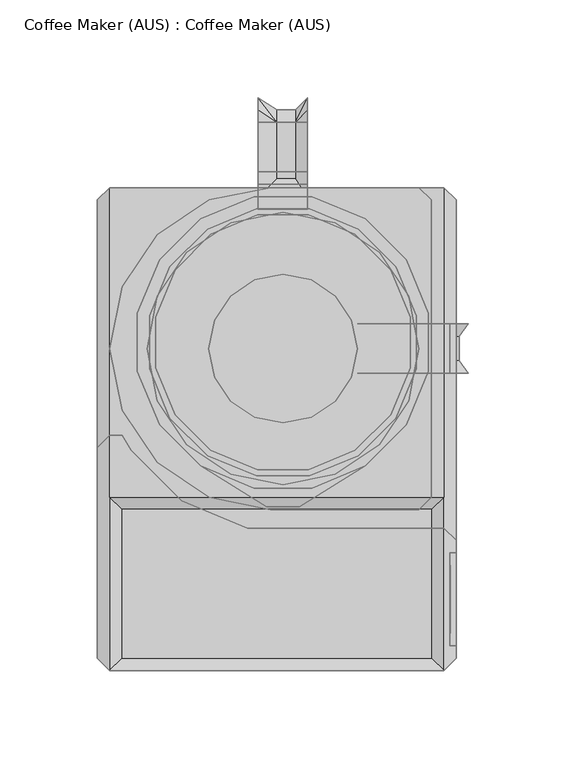
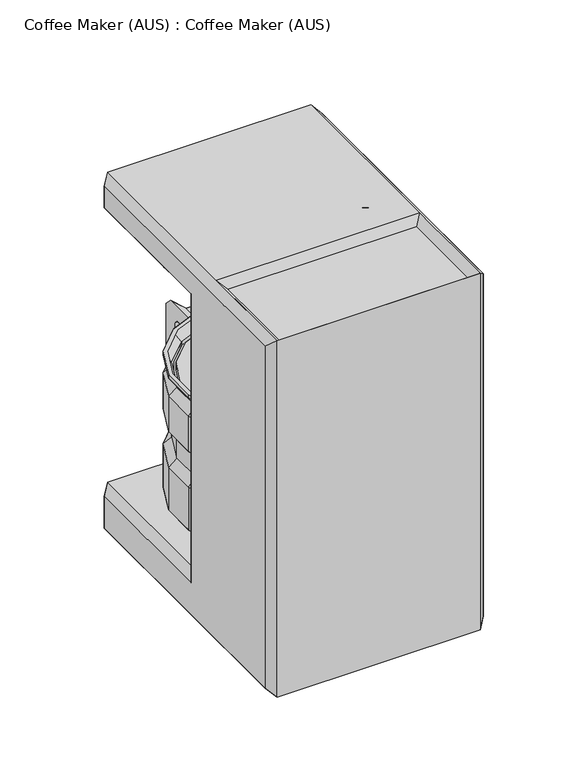
"""IFC4 building model written with IfcOpenShell, lengths in millimetres: proxy geometry, Coffee Maker (AUS) : Coffee Maker (AUS)."""

from ifc_helpers import new_model, si_unit, origin, place, context, project, spatial, triangles, source, transform, mapped, element, save


def coffee_maker_aus_coffee_maker_aus_c866d2f4(model_context):
    return source(origin(), model_context, "Body", "Tessellation", [
        triangles([(165.1000061, 247.65, 282.5749939), (165.1000061, 247.65, 285.75), (171.45, 241.3000061, 285.7499818), (171.45, 241.3000061, 282.5749758), (144.6414165, 214.4914135, 282.5749939), (144.6414165, 214.4914135, 285.75), (121.9804451, 229.6329856, 285.75), (121.9804451, 229.6329856, 282.5749939), (159.7829796, 191.830442, 285.75), (159.7829796, 191.830442, 282.5749939), (68.519564, 229.6329856, 282.5749939), (57.3094788, 241.3662447, 282.5749758), (95.25, 234.9499939, 282.5749758), (88.899997, 247.65, 282.5749939), (57.3094788, 241.3662447, 285.7499818), (68.519564, 229.6329856, 285.75), (88.899997, 247.65, 285.75), (95.25, 234.9499939, 285.7499818), (45.8585926, 214.4914135, 285.75), (45.8585926, 214.4914135, 282.5749939), (165.1000061, 177.7999939, 282.5749939), (169.8625061, 171.45, 282.5749758), (184.1500061, 177.7999939, 282.5749939), (180.975, 171.45, 279.4000061), (190.5, 177.7999939, 276.225), (180.975, 177.7999939, 273.0499939), (177.7999939, 177.7999939, 276.225), (162.3176541, 177.7999939, 276.225), (185.7375, 171.45, 274.6375061), (165.1000061, 82.5500121, 282.5749939), (165.1000061, 82.5500121, 285.75), (171.45, 88.9000151, 282.5749939), (171.45, 88.9000151, 285.75), (68.519564, 100.5670265, 282.5749758), (57.3094788, 88.8337583, 282.5749939), (95.25, 95.2500091, 282.5749939), (88.899997, 82.5500121, 282.5749939), (57.3094788, 88.8337583, 285.75), (68.519564, 100.5670265, 285.7499818), (88.899997, 82.5500121, 285.75), (95.25, 95.2500091, 285.75), (159.7829796, 138.369561, 282.5749939), (159.7829796, 138.369561, 285.75), (144.6414165, 115.7085895, 285.75), (144.6414165, 115.7085895, 282.5749939), (121.9804451, 100.5670265, 285.7499818), (121.9804451, 100.5670265, 282.5749758), (45.8585926, 115.7085895, 285.75), (45.8585926, 115.7085895, 282.5749939), (165.1000061, 165.1000061, 282.5749939), (165.1000061, 165.1000061, 285.75), (180.975, 158.7499939, 279.4000061), (169.8625061, 158.7499939, 282.5749939), (184.1500061, 152.4, 282.5749939), (165.1000061, 152.4, 282.5749939), (180.975, 152.4, 273.0499939), (190.5, 152.4, 276.225), (177.7999939, 152.4, 276.225), (162.3176541, 152.4, 276.225), (185.7375, 158.7499939, 274.6375061), (12.6337435, 196.6905197, 285.75), (12.6337435, 196.6905197, 282.5749939), (30.5283328, 223.4716611, 282.5749939), (30.5283328, 223.4716611, 285.75), (25.4000008, 165.1000061, 282.5749939), (6.3500002, 165.1000061, 282.5749939), (30.7170136, 138.369561, 282.5749939), (12.6337435, 133.5094834, 282.5749939), (6.3500002, 165.1000061, 285.75), (25.4000008, 165.1000061, 285.75), (12.6337435, 133.5094834, 285.75), (30.7170136, 138.369561, 285.75), (30.5283328, 106.7283328, 282.5749939), (30.5283328, 106.7283328, 285.75), (30.7170136, 191.830442, 282.5749939), (30.7170136, 191.830442, 285.75), (180.975, 152.4, 193.6749879), (180.975, 177.7999939, 193.6749879), (177.7999939, 177.7999939, 190.4999818), (177.7999939, 152.4, 190.4999818), (180.975, 158.7499939, 185.7374818), (180.975, 171.45, 185.7374818), (185.7375, 158.7499939, 190.4999818), (185.7375, 171.45, 190.4999818), (133.35, 152.4, 190.4999818), (133.35, 177.7999939, 190.4999818), (133.35, 158.7499939, 185.7374818), (133.35, 171.45, 185.7374818), (95.25, 203.2000061, 212.7250061), (80.6697581, 200.2998197, 212.7250061), (109.8302419, 200.2998197, 212.7250061), (122.1907702, 192.0407671, 212.7250061), (130.4498137, 179.6802389, 212.7250061), (133.35, 165.1000061, 212.7250061), (130.4498137, 150.5197641, 212.7250061), (122.1907702, 138.1592268, 212.7250061), (109.8302419, 129.9001833, 212.7250061), (95.25, 126.999997, 212.7250061), (80.6697581, 129.9001833, 212.7250061), (60.0501909, 179.6802389, 212.7250061), (57.15, 165.1000061, 212.7250061), (68.3092344, 192.0407671, 212.7250061), (68.3092344, 138.1592268, 212.7250061), (60.0501909, 150.5197641, 212.7250061), (190.5, 152.4, 187.3249939), (190.5, 177.7999939, 187.3249939), (184.1500061, 177.7999939, 180.9749818), (184.1500061, 152.4, 180.9749818), (133.35, 177.7999939, 180.9749818), (133.35, 152.4, 180.9749818), (95.25, 203.2000061, 174.6249879), (80.6697581, 200.2998197, 174.6249879), (68.3092344, 192.0407671, 174.6249879), (60.0501909, 179.6802389, 174.6249879), (57.15, 165.1000061, 174.6249879), (109.8302419, 200.2998197, 174.6249879), (122.1907702, 192.0407671, 174.6249879), (130.4498137, 179.6802389, 174.6249879), (133.35, 165.1000061, 174.6249879), (130.4498137, 150.5197641, 174.6249879), (122.1907702, 138.1592268, 174.6249879), (109.8302419, 129.9001833, 174.6249879), (95.25, 126.999997, 174.6249879), (80.6697581, 129.9001833, 174.6249879), (68.3092344, 138.1592268, 174.6249879), (60.0501909, 150.5197641, 174.6249879)], [[1, 2, 3], [3, 4, 1], [5, 6, 7], [7, 8, 5], [9, 10, 6], [6, 5, 10], [11, 12, 13], [14, 13, 12], [15, 16, 17], [18, 17, 16], [12, 15, 14], [17, 14, 15], [8, 7, 18], [18, 13, 8], [16, 11, 18], [13, 18, 11], [19, 20, 16], [11, 16, 20], [13, 14, 1], [1, 8, 13], [17, 18, 2], [7, 2, 18], [14, 17, 2], [2, 1, 14], [8, 1, 5], [4, 5, 1], [2, 7, 6], [6, 3, 2], [21, 22, 23], [23, 22, 24], [25, 26, 23], [27, 23, 26], [23, 27, 28], [28, 21, 23], [23, 24, 29], [29, 25, 23], [30, 31, 32], [33, 32, 31], [34, 35, 36], [37, 36, 35], [38, 39, 40], [41, 40, 39], [35, 38, 37], [40, 37, 38], [42, 43, 44], [44, 45, 42], [45, 44, 46], [46, 47, 45], [47, 46, 41], [41, 36, 47], [39, 34, 41], [36, 41, 34], [48, 49, 39], [34, 39, 49], [36, 37, 30], [30, 47, 36], [40, 41, 31], [46, 31, 41], [37, 40, 30], [31, 30, 40], [50, 51, 43], [43, 42, 50], [42, 45, 32], [42, 32, 50], [44, 43, 33], [33, 43, 51], [47, 30, 45], [32, 45, 30], [31, 46, 44], [44, 33, 31], [52, 53, 54], [54, 53, 55], [56, 57, 54], [54, 58, 56], [58, 54, 59], [55, 59, 54], [52, 54, 57], [57, 60, 52], [52, 24, 22], [22, 53, 52], [32, 4, 50], [6, 9, 3], [9, 3, 51], [3, 33, 51], [5, 10, 4], [4, 10, 50], [32, 33, 3], [4, 3, 32], [51, 50, 9], [10, 9, 50], [58, 27, 26], [26, 56, 58], [59, 28, 58], [27, 58, 28], [60, 29, 52], [24, 52, 29], [61, 62, 63], [63, 64, 61], [65, 66, 67], [68, 67, 66], [69, 70, 71], [72, 71, 70], [66, 69, 68], [71, 68, 69], [68, 71, 73], [74, 73, 71], [70, 65, 72], [67, 72, 65], [66, 65, 75], [75, 62, 66], [70, 69, 61], [61, 76, 70], [69, 66, 62], [62, 61, 69], [65, 70, 76], [76, 75, 65], [76, 61, 64], [64, 19, 76], [62, 75, 20], [20, 63, 62], [75, 76, 19], [20, 19, 75], [67, 68, 49], [73, 49, 68], [71, 72, 74], [48, 74, 72], [72, 67, 48], [49, 48, 67], [19, 64, 15], [16, 15, 19], [49, 73, 34], [35, 34, 73], [74, 48, 38], [39, 38, 48], [63, 20, 11], [11, 12, 63], [64, 63, 12], [15, 12, 64], [73, 74, 35], [38, 35, 74], [77, 78, 79], [79, 80, 77], [81, 82, 83], [84, 83, 82], [80, 79, 85], [86, 85, 79], [87, 88, 82], [82, 81, 87], [89, 13, 90], [11, 90, 13], [91, 8, 89], [89, 13, 8], [92, 5, 91], [8, 91, 5], [93, 10, 92], [5, 92, 10], [94, 50, 93], [10, 93, 50], [95, 42, 94], [94, 50, 42], [96, 45, 95], [95, 42, 45], [97, 47, 96], [45, 96, 47], [98, 36, 97], [97, 47, 36], [99, 34, 98], [98, 36, 34], [100, 75, 101], [101, 65, 75], [102, 20, 100], [75, 100, 20], [90, 11, 102], [20, 102, 11], [103, 49, 99], [99, 34, 49], [104, 67, 103], [103, 49, 67], [101, 65, 104], [67, 104, 65], [60, 57, 83], [105, 83, 57], [77, 105, 56], [57, 56, 105], [106, 78, 26], [26, 25, 106], [25, 29, 106], [84, 106, 29], [56, 26, 77], [78, 77, 26], [83, 84, 29], [29, 60, 83], [107, 79, 106], [78, 106, 79], [80, 108, 105], [105, 77, 80], [82, 107, 84], [106, 84, 107], [108, 81, 83], [83, 105, 108], [88, 109, 107], [107, 82, 88], [109, 86, 79], [79, 107, 109], [110, 87, 108], [81, 108, 87], [85, 110, 80], [108, 80, 110], [111, 89, 112], [90, 112, 89], [112, 90, 113], [102, 113, 90], [114, 100, 115], [101, 115, 100], [113, 102, 114], [100, 114, 102], [116, 91, 111], [89, 111, 91], [117, 92, 116], [91, 116, 92], [118, 93, 117], [92, 117, 93], [119, 94, 118], [93, 118, 94], [120, 95, 119], [94, 119, 95], [121, 96, 120], [95, 120, 96], [122, 97, 121], [96, 121, 97], [123, 98, 122], [97, 122, 98], [124, 99, 123], [98, 123, 99], [125, 103, 124], [99, 124, 103], [126, 104, 125], [103, 125, 104], [115, 101, 126], [104, 126, 101]], closed=False),
        triangles([(137.5844527, 231.6329726, 171.45), (137.5844527, 231.6329726, 168.2749939), (110.1158804, 243.0108391, 168.2749939), (110.1158804, 243.0108391, 171.4499818), (109.4964687, 239.8968395, 171.4499818), (80.3841196, 243.0108391, 171.4499818), (81.0035313, 239.8968395, 171.4499818), (80.3841196, 243.0108391, 168.2749939), (52.9155519, 231.6329726, 168.2749939), (52.9155519, 231.6329726, 171.45), (108.8770661, 236.7828581, 161.9249818), (108.8770661, 236.7828581, 158.7499939), (81.622943, 236.7828581, 158.7499939), (81.622943, 236.7828581, 161.9249818), (110.1158804, 243.0108391, 152.3999909), (80.3841196, 243.0108391, 152.3999909), (34.5319288, 208.845519, 171.45), (31.8920146, 210.6094557, 171.45), (20.5141616, 183.1408743, 171.45), (23.6281544, 182.5214717, 171.45), (31.8920146, 210.6094557, 168.2749939), (20.5141616, 183.1408743, 168.2749939), (153.3281592, 207.0815642, 161.925), (153.3281592, 207.0815642, 158.7499939), (134.0565793, 226.353135, 158.7499939), (134.0565793, 226.353135, 161.925), (56.4434161, 226.353135, 161.925), (56.4434161, 226.353135, 158.7499939), (37.1718476, 207.0815642, 158.7499939), (37.1718476, 207.0815642, 161.925), (26.7421472, 181.9020691, 158.7499939), (26.7421472, 181.9020691, 161.925), (31.8920146, 210.6094557, 152.4), (20.5141616, 183.1408743, 152.4), (23.6281544, 154.0285343, 171.45), (20.5141616, 153.4091136, 171.45), (31.8920146, 125.9405413, 171.45), (34.5319288, 127.704487, 171.45), (20.5141616, 153.4091136, 168.2749939), (31.8920146, 125.9405413, 168.2749939), (26.7421472, 154.6479369, 161.925), (26.7421472, 154.6479369, 158.7499939), (37.1718476, 129.4684146, 158.7499939), (37.1718476, 129.4684146, 161.925), (20.5141616, 153.4091136, 152.4), (31.8920146, 125.9405413, 152.4), (135.820516, 228.9930719, 171.45), (54.6794795, 228.9930719, 171.45), (137.5844527, 231.6329726, 152.4), (52.9155519, 231.6329726, 152.4), (31.8920146, 210.6094557, 120.650003), (20.5141616, 183.1408743, 120.650003), (52.9155519, 231.6329726, 120.650003), (80.3841196, 243.0108391, 120.6499849), (110.1158804, 243.0108391, 120.6499849), (107.949997, 243.0109481, 120.6499849), (82.550003, 243.0109481, 120.6499849), (82.550003, 243.0109481, 152.3999909), (107.949997, 243.0109481, 152.3999909), (137.5844527, 231.6329726, 120.650003), (20.5141616, 153.4091136, 120.650003), (31.8920146, 125.9405413, 120.650003), (103.1464657, 87.1281665, 168.2750121), (103.7658774, 84.014176, 168.2750121), (137.5844527, 104.9170244, 171.45), (135.820516, 107.556925, 171.45), (87.3535252, 87.1281665, 168.2750121), (86.7341226, 84.014176, 168.2750121), (52.9155519, 104.9170244, 171.45), (54.6794795, 107.556925, 171.45), (108.8770661, 99.7671571, 158.7499939), (108.8770661, 99.7671571, 155.5750061), (134.0565793, 110.1968438, 158.7499939), (134.0565793, 110.1968438, 161.925), (86.7341226, 84.014176, 165.1000061), (81.622943, 99.7671571, 158.7499939), (103.7658774, 84.014176, 165.1000061), (56.4434161, 110.1968438, 161.925), (56.4434161, 110.1968438, 158.7499939), (81.622943, 99.7671571, 155.5750061), (110.1158804, 93.539176, 152.4000182), (137.5844527, 104.9170244, 152.4), (80.3841196, 93.539176, 152.4000182), (52.9155519, 104.9170244, 152.4), (137.5844527, 104.9170244, 168.2749939), (52.9155519, 104.9170244, 168.2749939), (80.3841196, 93.5391578, 120.6500121), (110.1158804, 93.5391578, 120.6500121), (52.9155519, 104.9170244, 120.650003), (137.5844527, 104.9170244, 120.650003), (153.3281592, 129.4684146, 158.7499939), (153.3281592, 129.4684146, 161.925), (107.949997, 243.0109481, 88.899997), (82.550003, 243.0109481, 88.899997), (107.949997, 236.660936, 95.2499909), (82.550003, 236.660936, 95.2499909), (108.8770661, 236.7828581, 95.2499909), (110.1158804, 243.0108391, 88.899997), (80.3841196, 243.0108391, 88.899997), (81.622943, 236.7828581, 95.2499909), (37.1718476, 207.0815642, 95.2499909), (31.8920146, 210.6094557, 88.899997), (20.5141616, 183.1408743, 88.899997), (26.7421472, 181.9020691, 95.25), (26.7421472, 154.6479369, 95.25), (20.5141616, 153.4091136, 88.899997), (31.8920146, 125.9405413, 88.9000061), (37.1718476, 129.4684146, 95.25), (134.0565793, 226.353135, 95.2499909), (137.5844527, 231.6329726, 88.899997), (52.9155519, 231.6329726, 88.899997), (56.4434161, 226.353135, 95.2499909), (108.8770661, 99.7671571, 95.2500091), (110.1158804, 93.5391669, 88.9000061), (137.5844527, 104.9170244, 88.9000061), (134.0565793, 110.1968438, 95.2500091), (56.4434161, 110.1968438, 95.2500091), (52.9155519, 104.9170244, 88.9000061), (80.3841196, 93.5391669, 88.9000061), (81.622943, 99.7671571, 95.2500091), (134.0565793, 226.353135, 114.3), (108.8770661, 236.7828581, 114.2999909), (107.949997, 236.660936, 114.2999909), (82.550003, 236.660936, 114.2999909), (81.622943, 236.7828581, 114.2999909), (56.4434161, 226.353135, 114.3), (37.1718476, 207.0815642, 114.3), (26.7421472, 181.9020691, 114.3), (108.8770661, 99.767148, 114.3), (134.0565793, 110.1968438, 114.3), (37.1718476, 129.4684146, 114.3), (56.4434161, 110.1968438, 114.3), (81.622943, 99.767148, 114.3), (26.7421472, 154.6479369, 114.3), (169.985827, 183.1408743, 171.45), (169.985827, 183.1408743, 168.2749939), (158.6079786, 210.6094557, 168.2749939), (158.6079786, 210.6094557, 171.45), (158.6079786, 125.9405413, 171.45), (158.6079786, 125.9405413, 168.2749939), (169.985827, 153.4091136, 168.2749939), (169.985827, 153.4091136, 171.45), (166.8718456, 154.0285343, 171.45), (166.8718456, 182.5214717, 171.45), (163.757846, 154.6479369, 161.925), (163.757846, 181.9020691, 161.925), (163.757846, 154.6479369, 158.7499939), (163.757846, 181.9020691, 158.7499939), (169.985827, 153.4091136, 152.4), (169.985827, 183.1408743, 152.4), (169.985827, 183.1408743, 120.650003), (158.6079786, 210.6094557, 120.650003), (158.6079786, 210.6094557, 152.4), (158.6079786, 125.9405413, 152.4), (158.6079786, 125.9405413, 120.650003), (169.985827, 153.4091136, 120.650003), (163.757846, 154.6479369, 95.25), (169.985827, 153.4091136, 88.899997), (169.985827, 183.1408743, 88.899997), (163.757846, 181.9020691, 95.25), (163.757846, 154.6479369, 114.3), (163.757846, 181.9020691, 114.3), (155.968078, 208.845519, 171.45), (158.6079786, 210.6094557, 88.899997), (153.3281592, 207.0815642, 95.2499909), (153.3281592, 207.0815642, 114.3), (155.968078, 127.704487, 171.45), (158.6079786, 125.9405413, 88.9000061), (153.3281592, 129.4684146, 95.25), (153.3281592, 129.4684146, 114.3), (110.1158804, 243.0108391, 50.8000015), (108.8770661, 236.7828581, 44.4499939), (81.622943, 236.7828581, 44.4499939), (80.3841196, 243.0108391, 50.8000015), (37.1718476, 207.0815642, 44.4499985), (50.3714303, 198.261899, 44.4499985), (42.3121157, 178.8050016, 44.4500076), (26.7421472, 181.9020691, 44.4499985), (56.4434161, 226.353135, 44.4499939), (65.2630949, 213.1535773, 44.450003), (31.8920146, 210.6094557, 50.8000015), (20.5141616, 183.1408743, 50.799997), (153.3281592, 207.0815642, 44.4499985), (140.1285743, 198.261899, 44.4499985), (125.2369051, 213.1535773, 44.450003), (134.0565793, 226.353135, 44.4499939), (55.6512588, 194.7340257, 38.0999977), (48.5401013, 177.5661783, 38.1000045), (68.7909682, 207.8737397, 38.1000045), (84.7200014, 221.2128782, 44.4499939), (85.9588248, 214.9848972, 38.1000045), (105.7799986, 221.2128782, 44.4499939), (104.5411752, 214.9848972, 38.1000045), (134.8487457, 194.7340257, 38.0999977), (121.7090318, 207.8737397, 38.1000045), (148.1878934, 178.8050016, 44.4500076), (141.9599032, 177.5661783, 38.1000045), (26.7421472, 154.6479369, 44.4499985), (42.3121157, 157.7450044, 44.4499985), (50.3714303, 138.2880979, 44.450003), (37.1718476, 129.4684146, 44.450003), (20.5141616, 153.4091136, 50.8000015), (31.8920146, 125.9405413, 50.8000106), (65.2630949, 123.3964288, 44.450003), (68.7909682, 128.6762573, 38.1000045), (85.9588248, 121.5650998, 38.1000045), (84.7200014, 115.3371097, 44.450003), (105.7799986, 115.3371097, 44.450003), (104.5411752, 121.5650998, 38.1000045), (121.7090318, 128.6762573, 38.1000045), (125.2369051, 123.3964288, 44.450003), (55.6512588, 141.8159713, 38.1000091), (48.5401013, 158.9838278, 38.1), (134.8487457, 141.8159713, 38.1000091), (140.1285743, 138.2880979, 44.450003), (141.9599032, 158.9838278, 38.1), (148.1878934, 157.7450044, 44.4499985), (95.25, 168.2749939, 38.1), (52.9155519, 231.6329726, 50.7999924), (137.5844527, 231.6329726, 50.7999924), (80.3841196, 93.5391578, 50.8000061), (81.622943, 99.7671389, 44.4500076), (108.8770661, 99.7671389, 44.4500076), (110.1158804, 93.5391578, 50.8000061), (52.9155519, 104.9170244, 50.8000106), (56.4434161, 110.1968438, 44.4500121), (134.0565793, 110.1968438, 44.4500121), (137.5844527, 104.9170244, 50.8000106), (153.3281592, 129.4684146, 44.450003), (169.985827, 153.4091136, 50.8000015), (163.757846, 154.6479369, 44.4499985), (163.757846, 181.9020691, 44.4499985), (169.985827, 183.1408743, 50.799997), (158.6079786, 210.6094557, 50.8000015), (158.6079786, 125.9405413, 50.8000106), (107.949997, 243.0109481, 50.8000015), (82.550003, 243.0109481, 50.8000015)], [[1, 2, 3], [3, 4, 1], [5, 4, 6], [6, 7, 5], [4, 3, 8], [8, 6, 4], [6, 8, 9], [9, 10, 6], [11, 12, 13], [13, 14, 11], [12, 15, 16], [16, 13, 12], [3, 11, 14], [14, 8, 3], [17, 18, 19], [19, 20, 17], [18, 21, 22], [22, 19, 18], [23, 24, 25], [25, 26, 23], [27, 28, 29], [29, 30, 27], [30, 29, 31], [31, 32, 30], [29, 33, 34], [34, 31, 29], [21, 30, 32], [32, 22, 21], [35, 36, 37], [37, 38, 35], [36, 39, 40], [40, 37, 36], [41, 42, 43], [43, 44, 41], [42, 45, 46], [46, 43, 42], [39, 41, 44], [44, 40, 39], [20, 19, 36], [36, 35, 20], [19, 22, 39], [39, 36, 19], [22, 32, 41], [41, 39, 22], [32, 31, 42], [42, 41, 32], [31, 34, 45], [45, 42, 31], [47, 1, 4], [4, 5, 47], [7, 6, 10], [10, 48, 7], [48, 10, 18], [18, 17, 48], [10, 9, 21], [21, 18, 10], [26, 25, 12], [12, 11, 26], [14, 13, 28], [28, 27, 14], [25, 49, 15], [15, 12, 25], [13, 16, 50], [50, 28, 13], [28, 50, 33], [33, 29, 28], [2, 26, 11], [11, 3, 2], [8, 14, 27], [27, 9, 8], [9, 27, 30], [30, 21, 9], [33, 51, 52], [52, 34, 33], [50, 53, 51], [51, 33, 50], [16, 54, 53], [53, 50, 16], [15, 55, 54], [54, 16, 15], [56, 57, 58], [58, 59, 56], [49, 60, 55], [55, 15, 49], [45, 61, 62], [62, 46, 45], [34, 52, 61], [61, 45, 34], [63, 64, 65], [63, 65, 66], [67, 68, 64], [64, 63, 67], [69, 68, 67], [69, 67, 70], [71, 72, 73], [73, 74, 71], [75, 76, 71], [71, 77, 75], [78, 79, 80], [80, 76, 78], [72, 81, 82], [72, 82, 73], [76, 80, 72], [72, 71, 76], [80, 83, 81], [81, 72, 80], [84, 83, 80], [84, 80, 79], [71, 74, 85], [71, 85, 77], [86, 78, 76], [86, 76, 75], [64, 77, 85], [85, 65, 64], [68, 75, 77], [77, 64, 68], [69, 86, 75], [75, 68, 69], [83, 87, 88], [88, 81, 83], [84, 89, 87], [87, 83, 84], [81, 88, 90], [90, 82, 81], [38, 37, 69], [69, 70, 38], [37, 40, 86], [86, 69, 37], [74, 73, 91], [91, 92, 74], [44, 43, 79], [79, 78, 44], [43, 46, 84], [84, 79, 43], [40, 44, 78], [78, 86, 40], [46, 62, 89], [89, 84, 46], [93, 94, 95], [96, 95, 94], [97, 98, 99], [99, 100, 97], [101, 102, 103], [103, 104, 101], [105, 106, 107], [107, 108, 105], [104, 103, 106], [106, 105, 104], [109, 110, 98], [98, 97, 109], [100, 99, 111], [111, 112, 100], [112, 111, 102], [102, 101, 112], [113, 114, 115], [115, 116, 113], [117, 118, 119], [119, 120, 117], [120, 119, 114], [114, 113, 120], [108, 107, 118], [118, 117, 108], [60, 121, 122], [122, 55, 60], [123, 124, 56], [57, 56, 124], [55, 122, 125], [125, 54, 55], [54, 125, 126], [126, 53, 54], [53, 126, 127], [127, 51, 53], [51, 127, 128], [128, 52, 51], [88, 129, 130], [130, 90, 88], [62, 131, 132], [132, 89, 62], [89, 132, 133], [133, 87, 89], [87, 133, 129], [129, 88, 87], [61, 134, 131], [131, 62, 61], [52, 128, 134], [134, 61, 52], [135, 136, 137], [137, 138, 135], [139, 140, 141], [141, 142, 139], [143, 142, 135], [135, 144, 143], [142, 141, 136], [136, 135, 142], [141, 145, 146], [146, 136, 141], [145, 147, 148], [148, 146, 145], [147, 149, 150], [150, 148, 147], [150, 151, 152], [152, 153, 150], [154, 155, 156], [156, 149, 154], [149, 156, 151], [151, 150, 149], [157, 158, 159], [159, 160, 157], [156, 161, 162], [162, 151, 156], [146, 148, 24], [24, 23, 146], [148, 150, 153], [153, 24, 148], [24, 153, 49], [49, 25, 24], [144, 135, 138], [138, 163, 144], [136, 146, 23], [23, 137, 136], [163, 138, 1], [1, 47, 163], [138, 137, 2], [2, 1, 138], [137, 23, 26], [26, 2, 137], [160, 159, 164], [164, 165, 160], [165, 164, 110], [110, 109, 165], [151, 162, 166], [166, 152, 151], [152, 166, 121], [121, 60, 152], [153, 152, 60], [60, 49, 153], [92, 91, 147], [147, 145, 92], [73, 82, 154], [154, 91, 73], [91, 154, 149], [149, 147, 91], [66, 65, 139], [139, 167, 66], [65, 85, 140], [140, 139, 65], [85, 74, 92], [92, 140, 85], [167, 139, 142], [142, 143, 167], [140, 92, 145], [145, 141, 140], [116, 115, 168], [168, 169, 116], [169, 168, 158], [158, 157, 169], [90, 130, 170], [170, 155, 90], [155, 170, 161], [161, 156, 155], [82, 90, 155], [155, 154, 82], [171, 172, 173], [173, 174, 171], [175, 176, 177], [177, 178, 175], [179, 180, 176], [176, 175, 179], [181, 175, 178], [178, 182, 181], [183, 184, 185], [185, 186, 183], [176, 187, 188], [188, 177, 176], [180, 189, 187], [187, 176, 180], [190, 191, 189], [189, 180, 190], [192, 193, 191], [191, 190, 192], [184, 194, 195], [195, 185, 184], [196, 197, 194], [194, 184, 196], [185, 195, 193], [193, 192, 185], [198, 199, 200], [200, 201, 198], [202, 198, 201], [201, 203, 202], [204, 205, 206], [206, 207, 204], [208, 209, 210], [210, 211, 208], [200, 212, 205], [205, 204, 200], [199, 213, 212], [212, 200, 199], [211, 210, 214], [214, 215, 211], [215, 214, 216], [216, 217, 215], [207, 206, 209], [209, 208, 207], [206, 218, 209], [205, 218, 206], [212, 218, 205], [210, 218, 214], [209, 218, 210], [213, 218, 212], [214, 218, 216], [178, 177, 199], [199, 198, 178], [182, 178, 198], [198, 202, 182], [177, 188, 213], [213, 199, 177], [217, 216, 197], [197, 196, 217], [188, 218, 213], [216, 218, 197], [187, 218, 188], [189, 218, 187], [191, 218, 189], [193, 218, 191], [195, 218, 193], [194, 218, 195], [197, 218, 194], [173, 190, 180], [180, 179, 173], [172, 192, 190], [190, 173, 172], [219, 179, 175], [175, 181, 219], [174, 173, 179], [179, 219, 174], [186, 185, 192], [192, 172, 186], [220, 186, 172], [172, 171, 220], [221, 222, 223], [223, 224, 221], [225, 226, 222], [222, 221, 225], [224, 223, 227], [227, 228, 224], [201, 200, 204], [204, 226, 201], [222, 207, 208], [208, 223, 222], [226, 204, 207], [207, 222, 226], [203, 201, 226], [226, 225, 203], [227, 211, 215], [215, 229, 227], [223, 208, 211], [211, 227, 223], [230, 231, 232], [232, 233, 230], [232, 196, 184], [184, 183, 232], [234, 183, 186], [186, 220, 234], [233, 232, 183], [183, 234, 233], [229, 215, 217], [217, 231, 229], [235, 229, 231], [231, 230, 235], [228, 227, 229], [229, 235, 228], [231, 217, 196], [196, 232, 231], [158, 230, 233], [233, 159, 158], [103, 182, 202], [202, 106, 103], [114, 224, 228], [228, 115, 114], [115, 228, 235], [235, 168, 115], [168, 235, 230], [230, 158, 168], [107, 203, 225], [225, 118, 107], [118, 225, 221], [221, 119, 118], [119, 221, 224], [224, 114, 119], [106, 202, 203], [203, 107, 106], [110, 220, 171], [171, 98, 110], [159, 233, 234], [234, 164, 159], [164, 234, 220], [220, 110, 164], [236, 237, 94], [94, 93, 236], [98, 171, 174], [174, 99, 98], [99, 174, 219], [219, 111, 99], [111, 219, 181], [181, 102, 111], [102, 181, 182], [182, 103, 102]], closed=False),
        triangles([(92.075003, 281.1109481, 146.049997), (101.600003, 281.1109481, 146.049997), (101.600003, 287.4609421, 136.524997), (92.075003, 287.4609421, 136.524997), (107.949997, 249.3609421, 139.700003), (82.550003, 249.3609421, 139.700003), (82.550003, 277.9359421, 139.700003), (107.949997, 277.9359421, 139.700003), (92.075003, 252.5359481, 146.049997), (101.600003, 252.5359481, 146.049997), (107.949997, 281.1109481, 136.524997), (82.550003, 281.1109481, 136.524997), (82.550003, 287.4609421, 152.4), (82.550003, 293.810936, 146.049997), (107.949997, 287.4609421, 152.4), (107.949997, 293.810936, 146.049997), (82.550003, 243.0109481, 152.4), (107.949997, 243.0109481, 152.4), (82.550003, 255.710936, 101.600003), (82.550003, 249.3609421, 95.25), (82.550003, 236.660936, 95.25), (82.550003, 243.0109481, 88.899997), (107.949997, 249.3609421, 95.25), (107.949997, 255.710936, 101.600003), (107.949997, 236.660936, 95.25), (107.949997, 243.0109481, 88.899997), (107.949997, 255.710936, 107.949997), (82.550003, 255.710936, 107.949997), (82.550003, 249.3609421, 114.3), (107.949997, 249.3609421, 114.3), (82.550003, 236.660936, 114.3), (107.949997, 236.660936, 114.3), (92.075003, 281.1109481, 57.15), (101.600003, 281.1109481, 57.15), (92.075003, 252.5359481, 57.15), (101.600003, 252.5359481, 57.15), (107.949997, 281.1109481, 66.675), (82.550003, 281.1109481, 66.675), (107.949997, 277.9359421, 63.4999985), (82.550003, 277.9359421, 63.4999985), (82.550003, 249.3609421, 63.4999985), (107.949997, 249.3609421, 63.4999985), (92.075003, 287.4609421, 66.675), (101.600003, 287.4609421, 66.675), (107.949997, 243.0109481, 120.650003), (82.550003, 243.0109481, 120.650003), (107.949997, 293.810936, 57.15), (82.550003, 293.810936, 57.15), (107.949997, 243.0109481, 50.8000015), (82.550003, 243.0109481, 50.8000015), (107.949997, 287.4609421, 50.799997), (82.550003, 287.4609421, 50.799997)], [[1, 2, 3], [3, 4, 1], [5, 6, 7], [7, 8, 5], [9, 10, 1], [2, 1, 10], [8, 7, 11], [12, 11, 7], [7, 13, 14], [14, 12, 7], [15, 8, 16], [11, 16, 8], [1, 4, 14], [1, 14, 13], [15, 16, 2], [2, 16, 3], [6, 17, 7], [13, 7, 17], [18, 5, 8], [8, 15, 18], [17, 9, 13], [1, 13, 9], [15, 2, 10], [10, 18, 15], [17, 18, 9], [10, 9, 18], [19, 20, 21], [21, 20, 22], [23, 24, 25], [23, 25, 26], [27, 28, 29], [29, 30, 27], [23, 20, 19], [19, 24, 23], [19, 21, 31], [31, 28, 19], [25, 24, 32], [27, 32, 24], [24, 19, 27], [28, 27, 19], [33, 34, 35], [36, 35, 34], [37, 38, 39], [40, 39, 38], [39, 40, 41], [41, 42, 39], [43, 44, 34], [34, 33, 43], [42, 41, 23], [20, 23, 41], [45, 30, 18], [5, 18, 30], [29, 46, 17], [17, 6, 29], [30, 29, 5], [6, 5, 29], [11, 12, 38], [38, 37, 11], [4, 3, 43], [44, 43, 3], [16, 11, 37], [37, 47, 16], [12, 14, 38], [48, 38, 14], [14, 4, 48], [43, 48, 4], [47, 44, 16], [3, 16, 44], [28, 31, 29], [46, 29, 31], [32, 27, 30], [30, 45, 32], [49, 42, 26], [23, 26, 42], [41, 50, 22], [22, 20, 41], [34, 44, 47], [34, 47, 51], [48, 43, 33], [48, 33, 52], [38, 48, 52], [52, 40, 38], [47, 37, 51], [39, 51, 37], [40, 52, 41], [50, 41, 52], [51, 39, 42], [42, 49, 51], [52, 33, 50], [35, 50, 33], [49, 36, 51], [34, 51, 36], [50, 35, 36], [36, 49, 50]], closed=False),
        triangles([(181.2764351, 53.9749985, 82.5499939), (181.2764351, 44.4499985, 82.550003), (181.2764351, 53.9749985, 73.0249939), (181.2764351, 44.4499985, 73.0249985), (181.2764351, 41.2750015, 82.550003), (181.2764351, 31.7499992, 82.550003), (181.2764351, 41.2750015, 73.0249985), (181.2764351, 31.7499992, 73.0249985), (181.2764351, 28.575, 82.550003), (181.2764351, 19.0499989, 82.550003), (181.2764351, 28.575, 73.0249985), (181.2764351, 19.05, 73.0249985)], [[1, 2, 3], [4, 3, 2], [5, 6, 7], [8, 7, 6], [9, 10, 11], [12, 11, 10]], closed=False),
        triangles([(6.3500002, 247.6500182, 317.4999879), (6.3500002, 88.9000151, 317.4999879), (177.7999939, 247.6500182, 317.4999879), (177.7999939, 88.9000151, 317.4999879), (105.354752, 215.8999939, 34.9249917), (106.6178381, 222.2500061, 41.2749924), (85.145248, 215.8999939, 34.9249917), (83.8821528, 222.2500061, 41.2749924), (138.3161576, 193.8758659, 34.9249939), (143.6994319, 197.4728665, 41.2749924), (124.0258871, 208.1661637, 34.9249939), (127.6228786, 213.549447, 41.2749924), (177.7999939, 247.65, 41.2749879), (66.4741084, 208.1661637, 34.9249939), (62.8771259, 213.549447, 41.2749924), (52.1838424, 193.8758659, 34.9249939), (46.8005681, 197.4728665, 41.2749924), (6.3500002, 247.65, 41.2749879), (0.0, 241.3000061, 34.9249917), (0.0, 241.2999697, 6.34999), (6.3500002, 247.6499818, -1.08e-05), (184.1500061, 241.3000061, 34.9249917), (184.1500061, 241.2999697, 6.34999), (177.7999939, 247.6499818, -1.08e-05), (184.1500061, 12.7000106, 285.75), (180.975, 12.7000106, 285.75), (180.975, 60.3250106, 285.75), (184.1500061, 60.3250106, 285.75), (184.1500061, 66.6750136, 292.0999939), (184.1500061, 6.3500138, 311.1500121), (171.45, 6.3500138, 311.1500121), (171.45, 82.5500121, 311.1500121), (12.7000004, 82.5500121, 311.1500121), (12.7000004, 6.3500138, 311.1500121), (180.975, 60.3250015, 158.7499939), (184.1500061, 60.3250015, 158.7499939), (180.975, 12.7000004, 158.7500121), (184.1500061, 12.7000004, 158.7500121), (180.975, 12.7000015, 171.4500182), (184.1500061, 12.7000015, 171.4500182), (180.975, 60.3250015, 171.45), (184.1500061, 60.3250015, 171.45), (184.1500061, 66.675, 165.1000061), (184.1500061, 6.3500008, 165.1000061), (146.049997, 154.9952449, 34.9249962), (152.4, 153.7321498, 41.274997), (146.049997, 175.2047308, 34.9249962), (152.4, 176.467826, 41.2749924), (85.145248, 114.2999909, 34.9250008), (83.8821528, 107.9499879, 41.2750015), (105.354752, 114.2999909, 34.9250008), (106.6178381, 107.9499879, 41.2750015), (138.3161576, 136.3241008, 34.9250008), (143.6994319, 132.7271092, 41.2750015), (124.0258871, 122.0338303, 34.9250008), (127.6228786, 116.650556, 41.2750015), (184.1500061, 60.3249879, 25.4000053), (180.975, 60.3249879, 25.4000053), (180.975, 12.699989, 25.4000098), (184.1500061, 12.699989, 25.4000098), (177.7999939, 73.0249803, 41.2750015), (76.9351386, 73.0249803, 41.2750015), (44.4499985, 175.2047308, 34.9249962), (38.1, 176.467826, 41.2749924), (44.4499985, 154.9952449, 34.9249962), (38.1, 153.7321498, 41.274997), (46.8005681, 132.7271092, 41.2750015), (52.1838424, 136.3241008, 34.9250008), (12.7000004, 120.6499849, 41.2750015), (17.1925859, 112.9436874, 41.2750015), (62.8771259, 116.650556, 41.2750015), (6.3500002, 120.6499849, 41.2750015), (66.4741084, 122.0338303, 34.9250008), (43.0937041, 87.0425704, 41.2750015), (184.1500061, 66.6749818, 34.9250053), (184.1500061, 60.3249879, 6.3500053), (184.1500061, 6.3499866, 6.3500104), (6.3500002, 120.6500121, 285.75), (12.7000004, 120.6500121, 285.75), (17.1925859, 112.9437147, 285.75), (43.0937041, 87.0425976, 285.75), (76.9351386, 73.0250121, 285.75), (177.7999939, 73.0250121, 285.75), (0.0, 114.2999909, 34.9250008), (0.0, 6.3499866, 6.3500104), (0.0, 114.3000091, 292.0999939), (0.0, 6.3500138, 311.1500121), (177.7999939, 247.65, 285.75), (6.3500002, 247.65, 285.75), (0.0, 241.3000242, 311.1500121), (0.0, 241.3000061, 292.0999939), (184.1500061, 241.3000061, 292.0999939), (184.1500061, 241.3000242, 311.1500121), (111.1254209, 144.515752, 161.925), (100.8247051, 140.2490611, 161.925), (108.2576453, 102.8811385, 161.925), (132.2926427, 112.8367626, 161.925), (108.2576453, 102.8811385, 155.5750061), (132.2926427, 112.8367626, 155.5750061), (119.009242, 152.3995731, 161.925), (150.6882313, 131.2323604, 161.925), (150.6882313, 131.2323604, 155.5750061), (123.2759419, 162.7002979, 161.925), (160.6438645, 155.2673577, 161.925), (160.6438645, 155.2673577, 155.5750061), (123.2759419, 173.8497082, 161.925), (160.6438645, 181.2826484, 161.925), (160.6438645, 181.2826484, 155.5750061), (119.009242, 184.1504239, 161.925), (150.6882313, 205.3176457, 161.9249818), (150.6882313, 205.3176457, 155.5749879), (111.1254209, 192.034245, 161.925), (132.2926427, 223.7132343, 161.9249818), (132.2926427, 223.7132343, 155.5749879), (100.8247051, 196.3009359, 161.9249818), (108.2576453, 233.6688585, 161.9249818), (108.2576453, 233.6688585, 155.5749879), (89.6752949, 196.3009359, 161.9249818), (82.2423547, 233.6688585, 161.9249818), (82.2423547, 233.6688585, 155.5749879), (79.3745791, 192.034245, 161.925), (58.2073528, 223.7132343, 161.9249818), (58.2073528, 223.7132343, 155.5749879), (71.4907535, 184.1504239, 161.925), (39.8117642, 205.3176457, 161.9249818), (39.8117642, 205.3176457, 155.5749879), (67.2240581, 173.8497082, 161.925), (29.8561423, 181.2826484, 161.925), (29.8561423, 181.2826484, 155.5750061), (67.2240581, 162.7002979, 161.925), (29.8561423, 155.2673577, 161.925), (29.8561423, 155.2673577, 155.5750061), (71.4907535, 152.3995731, 161.925), (39.8117642, 131.2323604, 161.925), (39.8117642, 131.2323604, 155.5750061), (79.3745791, 144.515752, 161.925), (58.2073528, 112.8367626, 161.925), (58.2073528, 112.8367626, 155.5750061), (89.6752949, 140.2490611, 161.925), (82.2423547, 102.8811385, 161.925), (82.2423547, 102.8811385, 155.5750061), (6.3500002, -1.39e-05, 1.08e-05), (177.7999939, -1.39e-05, 1.08e-05), (177.7999939, 1.39e-05, 317.4999879), (6.3500002, 1.39e-05, 317.4999879)], [[1, 2, 3], [4, 3, 2], [5, 6, 7], [8, 7, 6], [9, 10, 11], [12, 11, 10], [11, 12, 6], [6, 5, 11], [12, 13, 6], [14, 15, 16], [17, 16, 15], [7, 8, 15], [15, 14, 7], [18, 15, 8], [6, 13, 8], [18, 8, 13], [19, 18, 20], [21, 20, 18], [13, 22, 23], [23, 24, 13], [18, 13, 21], [24, 21, 13], [25, 26, 27], [27, 28, 25], [29, 30, 28], [25, 28, 30], [31, 32, 33], [33, 34, 31], [35, 36, 37], [38, 37, 36], [39, 40, 41], [42, 41, 40], [42, 40, 43], [44, 43, 40], [43, 44, 38], [38, 36, 43], [26, 25, 39], [40, 39, 25], [28, 27, 41], [41, 42, 28], [29, 28, 42], [42, 43, 29], [25, 30, 40], [44, 40, 30], [45, 46, 47], [48, 47, 46], [49, 50, 51], [52, 51, 50], [53, 54, 46], [46, 45, 53], [55, 56, 53], [54, 53, 56], [51, 52, 56], [56, 55, 51], [57, 58, 59], [59, 60, 57], [61, 46, 54], [54, 56, 61], [61, 56, 52], [52, 62, 61], [63, 64, 65], [66, 65, 64], [65, 66, 67], [67, 68, 65], [67, 69, 70], [70, 71, 67], [66, 72, 69], [69, 67, 66], [73, 71, 50], [50, 49, 73], [68, 67, 73], [71, 73, 67], [74, 50, 71], [71, 70, 74], [62, 52, 74], [50, 74, 52], [75, 57, 76], [77, 76, 60], [57, 60, 76], [58, 57, 35], [36, 35, 57], [60, 59, 37], [37, 38, 60], [38, 44, 60], [77, 60, 44], [43, 36, 57], [57, 75, 43], [58, 35, 59], [37, 59, 35], [69, 72, 78], [78, 79, 69], [80, 70, 69], [69, 79, 80], [81, 74, 80], [70, 80, 74], [82, 62, 74], [74, 81, 82], [83, 61, 82], [62, 82, 61], [84, 85, 86], [87, 86, 85], [86, 78, 84], [72, 84, 78], [83, 29, 75], [75, 61, 83], [81, 88, 82], [83, 82, 88], [79, 88, 80], [81, 80, 88], [78, 89, 79], [88, 79, 89], [90, 91, 87], [86, 87, 91], [91, 89, 78], [78, 86, 91], [92, 93, 30], [30, 29, 92], [88, 92, 83], [29, 83, 92], [94, 95, 96], [96, 97, 94], [97, 96, 98], [98, 99, 97], [100, 94, 97], [97, 101, 100], [101, 97, 99], [99, 102, 101], [103, 100, 101], [101, 104, 103], [104, 101, 102], [102, 105, 104], [106, 103, 104], [104, 107, 106], [107, 104, 105], [105, 108, 107], [109, 106, 107], [107, 110, 109], [110, 107, 108], [108, 111, 110], [112, 109, 110], [110, 113, 112], [113, 110, 111], [111, 114, 113], [115, 112, 113], [113, 116, 115], [116, 113, 114], [114, 117, 116], [118, 115, 116], [116, 119, 118], [119, 116, 117], [117, 120, 119], [121, 118, 119], [119, 122, 121], [122, 119, 120], [120, 123, 122], [124, 121, 122], [122, 125, 124], [125, 122, 123], [123, 126, 125], [127, 124, 125], [125, 128, 127], [128, 125, 126], [126, 129, 128], [130, 127, 128], [128, 131, 130], [131, 128, 129], [129, 132, 131], [133, 130, 131], [131, 134, 133], [134, 131, 132], [132, 135, 134], [136, 133, 134], [134, 137, 136], [137, 134, 135], [135, 138, 137], [139, 136, 137], [137, 140, 139], [140, 137, 138], [138, 141, 140], [95, 139, 140], [140, 96, 95], [96, 140, 141], [141, 98, 96], [13, 48, 46], [46, 61, 13], [64, 18, 66], [72, 66, 18], [19, 20, 85], [85, 84, 19], [84, 72, 18], [18, 19, 84], [20, 21, 142], [142, 85, 20], [23, 22, 76], [75, 76, 22], [24, 23, 143], [77, 143, 23], [61, 75, 13], [22, 13, 75], [12, 10, 13], [13, 10, 48], [16, 17, 64], [64, 63, 16], [18, 64, 17], [17, 15, 18], [47, 48, 10], [10, 9, 47], [144, 145, 143], [142, 143, 145], [85, 142, 87], [145, 87, 142], [143, 77, 30], [30, 144, 143], [87, 145, 1], [1, 90, 87], [144, 30, 3], [93, 3, 30], [34, 145, 144], [144, 31, 34], [32, 4, 2], [2, 33, 32], [31, 144, 32], [4, 32, 144], [33, 2, 34], [145, 34, 2], [88, 89, 1], [1, 3, 88], [3, 93, 92], [92, 88, 3], [90, 1, 91], [89, 91, 1]], closed=False),
        triangles([(108.8770661, 236.7828581, 114.3), (108.8770661, 236.7828581, 95.2499909), (81.622943, 236.7828581, 95.2499909), (81.622943, 236.7828581, 114.3), (107.949997, 236.660936, 95.2499909), (82.550003, 236.660936, 95.2499909), (82.550003, 236.660936, 114.3), (107.949997, 236.660936, 114.3), (26.7421472, 181.9020691, 114.3), (26.7421472, 181.9020691, 95.25), (26.7421472, 154.6479369, 95.25), (26.7421472, 154.6479369, 114.3), (37.1718476, 129.4684146, 95.2500091), (37.1718476, 129.4684146, 114.3), (37.1718476, 207.0815642, 114.3), (37.1718476, 207.0815642, 95.2499909), (56.4434161, 226.353135, 114.3), (56.4434161, 226.353135, 95.2499909), (153.3281592, 207.0815642, 114.3), (153.3281592, 207.0815642, 95.2499909), (134.0565793, 226.353135, 95.2499909), (134.0565793, 226.353135, 114.3), (81.622943, 99.767148, 114.3), (81.622943, 99.7671571, 95.2500091), (108.8770661, 99.7671571, 95.2500091), (108.8770661, 99.767148, 114.3), (56.4434161, 110.1968438, 114.3), (56.4434161, 110.1968438, 95.2500091), (134.0565793, 110.1968438, 95.2500091), (134.0565793, 110.1968438, 114.3), (153.3281592, 129.4684146, 95.2500091), (153.3281592, 129.4684146, 114.3), (163.757846, 154.6479369, 114.3), (163.757846, 154.6479369, 95.25), (163.757846, 181.9020691, 95.25), (163.757846, 181.9020691, 114.3)], [[1, 2, 3], [3, 4, 1], [5, 6, 7], [7, 8, 5], [9, 10, 11], [11, 12, 9], [12, 11, 13], [13, 14, 12], [15, 16, 10], [10, 9, 15], [17, 18, 16], [16, 15, 17], [19, 20, 21], [21, 22, 19], [4, 3, 18], [18, 17, 4], [22, 21, 2], [2, 1, 22], [23, 24, 25], [25, 26, 23], [27, 28, 24], [24, 23, 27], [26, 25, 29], [29, 30, 26], [14, 13, 28], [28, 27, 14], [30, 29, 31], [31, 32, 30], [33, 34, 35], [35, 36, 33], [32, 31, 34], [34, 33, 32], [36, 35, 20], [20, 19, 36]], closed=False),
        triangles([(181.2764351, 53.9750076, 146.049997), (181.2764351, 19.0500068, 146.049997), (181.2764351, 53.9750076, 136.524997), (181.2764351, 19.0500023, 136.524997), (181.2764351, 50.799997, 57.1499955), (181.2764351, 22.2249992, 57.15), (181.2764351, 50.799997, 44.4499985), (181.2764351, 22.2249947, 44.4499939)], [[1, 2, 3], [4, 3, 2], [5, 6, 7], [8, 7, 6]], closed=False),
        triangles([(66.4741084, 208.1661637, 34.9249962), (124.0258871, 208.1661637, 34.9249962), (85.145248, 215.8999939, 34.9249962), (105.354752, 215.8999939, 34.9249962), (52.1838424, 193.8758841, 34.9249962), (138.3161576, 193.8758841, 34.9249962), (85.145248, 114.2999909, 34.925003), (105.354752, 114.2999909, 34.925003), (66.4741084, 122.0338393, 34.925003), (124.0258871, 122.0338393, 34.925003), (138.3161576, 136.324119, 34.925003), (52.1838424, 136.324119, 34.925003), (44.4499985, 154.9952449, 34.9250008), (146.049997, 154.9952449, 34.9250008), (146.049997, 175.204749, 34.9250008), (44.4499985, 175.204749, 34.9250008)], [[1, 2, 3], [4, 3, 2], [5, 6, 2], [2, 1, 5], [7, 8, 9], [10, 9, 8], [9, 10, 11], [11, 12, 9], [12, 11, 13], [14, 13, 11], [13, 14, 15], [15, 16, 13], [16, 15, 5], [6, 5, 15]], closed=False),
        triangles([(180.975, 60.3249924, 171.45), (180.975, 60.3250061, 285.75), (180.975, 12.6999958, 171.45), (180.975, 12.7000049, 285.75)], [[1, 2, 3], [4, 3, 2]], closed=False),
    ])


if __name__ == "__main__":
    model = new_model("IFC4")
    model_context = context("Model", 3, world=origin())
    ifc_project = project(units=[si_unit("LENGTHUNIT", "METRE", prefix="MILLI")], contexts=[model_context])
    site = spatial("IfcSite", under=ifc_project)
    building = spatial("IfcBuilding", under=site)
    placement = place(None, origin())
    coffee_maker_aus_coffee_maker_aus_shape = coffee_maker_aus_coffee_maker_aus_c866d2f4(model_context)
    element("IfcBuildingElementProxy", 1, Name="Coffee Maker (AUS) : Coffee Maker (AUS)", ObjectType="Coffee Maker (AUS) : Coffee Maker (AUS)", at=placement, inside=building, context=model_context, shape_type="MappedRepresentation", body=[
        mapped(coffee_maker_aus_coffee_maker_aus_shape, transform((0.0, 0.0, 0.0), x_axis=(1.0, 0.0, 0.0), y_axis=(0.0, 1.0, 0.0), z_axis=(0.0, 0.0, 1.0))),
    ])
    save(model, "model.ifc")
